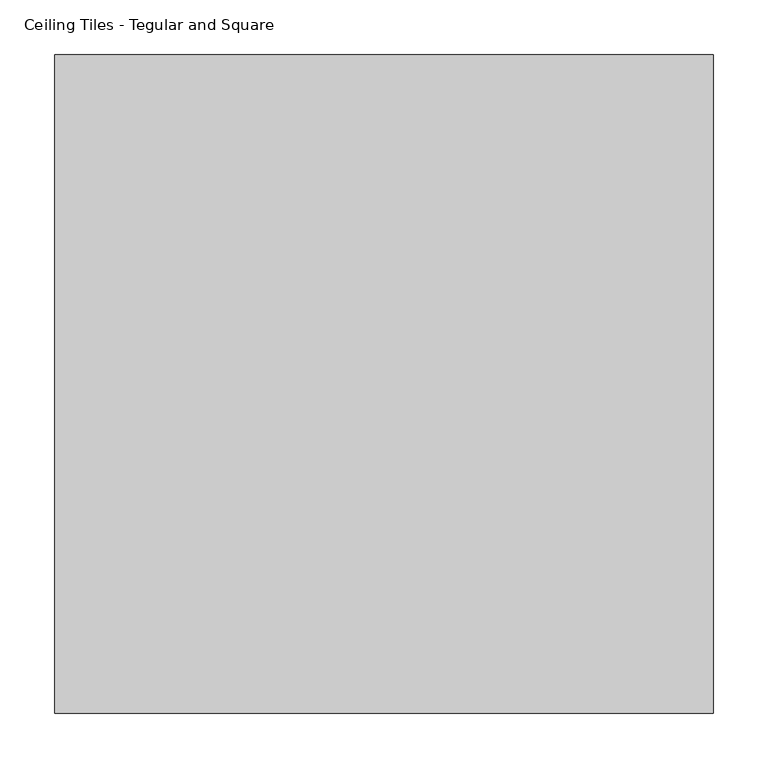
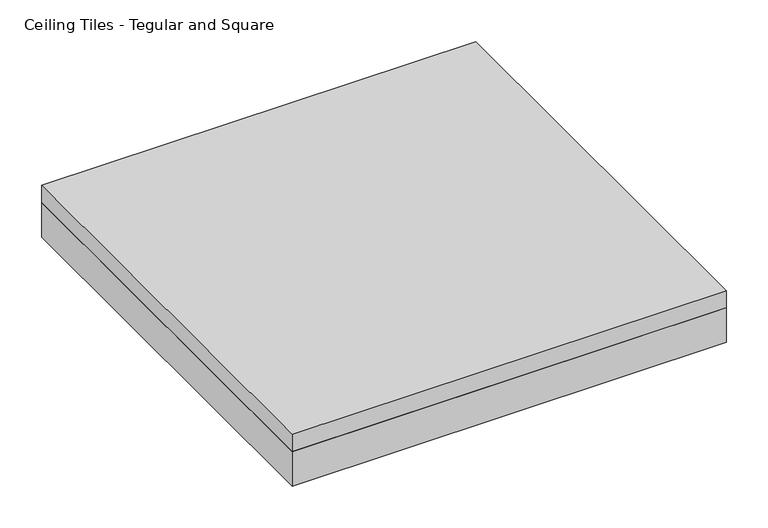
"""IFC4 building model written with IfcOpenShell, lengths in millimetres: proxy geometry, Ceiling Tiles - Tegular and Square."""

from ifc_helpers import new_model, si_unit, frame, origin, origin_with_axes, place, context, project, spatial, polyline, outline, extrude, source, transform, mapped, element, save


def ceiling_tiles_tegular_and_square_fb3a9a6b(model_context):
    return source(origin(), model_context, "Body", "SweptSolid", [
        extrude(outline(polyline([(301.625, 301.625), (301.625, -301.625), (-301.625, -301.625), (-301.625, 301.625), (301.625, 301.625)])), origin_with_axes(), (0.0, 0.0, 1.0), 50.8),
        extrude(outline(polyline([(-301.625, 301.625), (301.625, 301.625), (301.625, -301.625), (-301.625, -301.625), (-301.625, 301.625)])), frame((0.0, 0.0, 50.8), z_axis=(0.0, 0.0, 1.0), x_axis=(1.0, 0.0, 0.0)), (0.0, 0.0, 1.0), 25.4),
    ])


if __name__ == "__main__":
    model = new_model("IFC4")
    model_context = context("Model", 3, world=origin())
    ifc_project = project(units=[si_unit("LENGTHUNIT", "METRE", prefix="MILLI")], contexts=[model_context])
    site = spatial("IfcSite", under=ifc_project)
    building = spatial("IfcBuilding", under=site)
    placement = place(None, origin())
    ceiling_tiles_tegular_and_square_shape = ceiling_tiles_tegular_and_square_fb3a9a6b(model_context)
    element("IfcBuildingElementProxy", 1, Name="Ceiling Tiles - Tegular and Square", ObjectType="Ceiling Tiles - Tegular and Square", at=placement, inside=building, context=model_context, shape_type="MappedRepresentation", body=[
        mapped(ceiling_tiles_tegular_and_square_shape, transform((0.0, 0.0, 0.0), x_axis=(1.0, 0.0, 0.0), y_axis=(0.0, 1.0, 0.0), z_axis=(0.0, 0.0, 1.0))),
    ])
    save(model, "model.ifc")
